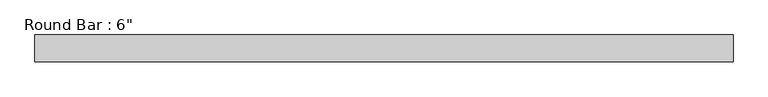
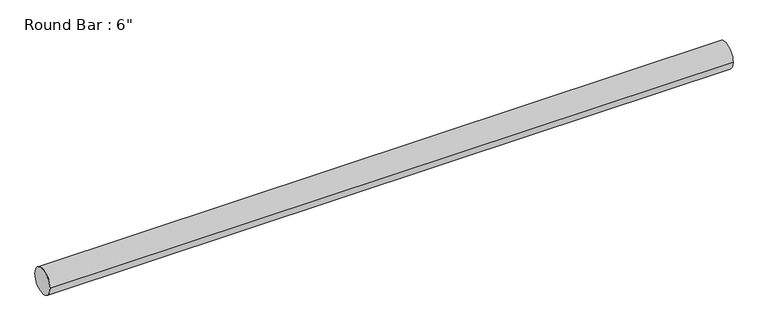
"""IFC4 building model written with IfcOpenShell, lengths in millimetres: beam geometry."""

from ifc_helpers import new_model, si_unit, point, frame, origin, origin_2d, place, context, project, spatial, circle_curve, trimmed, segment, composite_curve, outline, extrude, source, transform, mapped, element, save


def beam_cdb3364a(model_context):
    return source(origin(), model_context, "Body", "SweptSolid", [
        extrude(outline(composite_curve([segment(trimmed(circle_curve(origin_2d(), 76.2), [point((-76.2, 0.0))], [point((76.2, 0.0))], False, "CARTESIAN"), True, "CONTINUOUS"), segment(trimmed(circle_curve(origin_2d(), 76.2), [point((76.2, 0.0))], [point((-76.2, 0.0))], False, "CARTESIAN"), True, "CONTINUOUS")], self_intersect=False)), frame((-2003.4520825, 0.0, 0.0), z_axis=(1.0, 0.0, 0.0), x_axis=(0.0, 1.0, 0.0)), (0.0, 0.0, 1.0), 3981.20574),
    ])


if __name__ == "__main__":
    model = new_model("IFC4")
    model_context = context("Model", 3, world=origin())
    ifc_project = project(units=[si_unit("LENGTHUNIT", "METRE", prefix="MILLI")], contexts=[model_context])
    site = spatial("IfcSite", under=ifc_project)
    building = spatial("IfcBuilding", under=site)
    placement = place(None, origin())
    beam_shape = beam_cdb3364a(model_context)
    element("IfcBeam", 1, ObjectType="Round Bar : 6\"", at=placement, inside=building, context=model_context, shape_type="MappedRepresentation", body=[
        mapped(beam_shape, transform((0.0, 0.0, 0.0), x_axis=(1.0, 0.0, 0.0), y_axis=(0.0, 1.0, 0.0), z_axis=(0.0, 0.0, 1.0))),
    ])
    save(model, "model.ifc")
